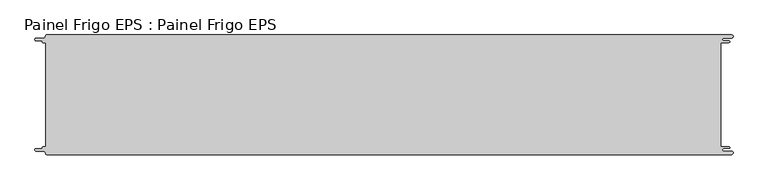
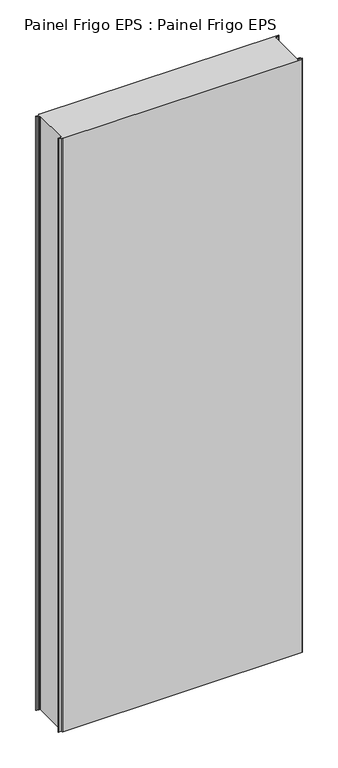
"""IFC4 building model written with IfcOpenShell, lengths in millimetres: proxy geometry, Painel Frigo EPS : Painel Frigo EPS."""

from ifc_helpers import new_model, si_unit, frame, origin, place, context, project, spatial, polyline, circle_curve, source, transform, mapped, element, save
from ifc_brep_helpers import plane_surface, cylinder_surface, revolved_surface, advanced_brep


def painel_frigo_eps_painel_frigo_eps_6e90903d(model_context):
    return source(origin(), model_context, "Body", "AdvancedBrep", [
        advanced_brep(
        [(-579.5093748, 87.3, 3000.0), (-574.2218362, 87.3, 3000.0), (-574.2218362, -87.2999995, 3000.0), (-579.5093748, -87.2999995, 3000.0), (-580.1093753, -87.9, 3000.0), (-580.1093753, -88.7085185, 3000.0), (-581.5093753, -90.1085185, 3000.0), (-590.4875, -90.1085185, 3000.0), (-590.4875, -94.5085185, 3000.0), (-578.471875, -94.5085185, 3000.0), (-574.921875, -98.0585185, 3000.0), (-572.971875, -100.0, 3000.0), (572.284375, -100.0, 3000.0), (572.284375, -94.725, 3000.0), (559.378125, -94.725, 3000.0), (559.378125, -89.875, 3000.0), (568.0406253, -89.875, 3000.0), (568.0406253, -87.3, 3000.0), (554.1906253, -87.3, 3000.0), (554.1906253, 87.3, 3000.0), (568.0406253, 87.3, 3000.0), (568.0406253, 89.875, 3000.0), (559.378125, 89.875, 3000.0), (559.378125, 94.725, 3000.0), (572.284375, 94.725, 3000.0), (572.284375, 100.0, 3000.0), (-572.971875, 100.0, 3000.0), (-574.921875, 98.05, 3000.0), (-578.471875, 94.5085185, 3000.0), (-590.4875, 94.5085185, 3000.0), (-590.4875, 90.1085187, 3000.0), (-581.5093751, 90.1085187, 3000.0), (-580.1093748, 88.7085184, 3000.0), (-580.1093748, 87.9, 3000.0), (-579.5093748, 87.3, 0.0), (-580.1093748, 87.9, 0.0), (-580.1093748, 88.7085184, 0.0), (-581.5093751, 90.1085187, 0.0), (-590.4875, 90.1085187, 0.0), (-590.4875, 94.5085185, 0.0), (-578.471875, 94.5085185, 0.0), (-574.921875, 98.0585185, 0.0), (-572.971875, 100.0, 0.0), (572.284375, 100.0, 0.0), (572.284375, 94.725, 0.0), (559.378125, 94.725, 0.0), (559.378125, 89.875, 0.0), (568.0406253, 89.875, 0.0), (568.0406253, 87.3, 0.0), (554.1906253, 87.3, 0.0), (554.1906253, -87.3, 0.0), (568.0406253, -87.3, 0.0), (568.0406253, -89.875, 0.0), (559.378125, -89.875, 0.0), (559.378125, -94.725, 0.0), (572.284375, -94.725, 0.0), (572.284375, -100.0, 0.0), (-572.971875, -100.0, 0.0), (-574.921875, -98.05, 0.0), (-578.471875, -94.5085185, 0.0), (-590.4875, -94.5085185, 0.0), (-590.4875, -90.1085185, 0.0), (-581.5093753, -90.1085185, 0.0), (-580.1093753, -88.7085185, 0.0), (-580.1093753, -87.9, 0.0), (-579.5093748, -87.2999995, 0.0), (-574.2218362, -87.2999995, 0.0), (-574.2218362, 87.3, 0.0)],
        [
            (0, 1),
            (1, 2),
            (2, 3),
            (3, 4, circle_curve(frame((-579.5093748, -87.9, 3000.0), z_axis=(0.0, 0.0, 1.0), x_axis=(1.0, 0.0, 0.0)), 0.6000005)),
            (4, 5),
            (5, 6, circle_curve(frame((-581.5093753, -88.7085185, 3000.0), z_axis=(0.0, 0.0, -1.0), x_axis=(1.0, 0.0, 0.0)), 1.4)),
            (6, 7),
            (7, 8, circle_curve(frame((-590.4875, -92.3085185, 3000.0), z_axis=(0.0, 0.0, 1.0), x_axis=(1.0, 0.0, 0.0)), 2.2)),
            (8, 9),
            (9, 10, circle_curve(frame((-578.471875, -98.0585185, 3000.0), z_axis=(0.0, 0.0, -1.0), x_axis=(1.0, 0.0, 0.0)), 3.55)),
            (10, 11, circle_curve(frame((-572.971875, -98.05, 3000.0), z_axis=(0.0, 0.0, 1.0), x_axis=(1.0, 0.0, 0.0)), 1.95)),
            (11, 12),
            (12, 13, circle_curve(frame((572.284375, -97.3625, 3000.0), z_axis=(0.0, 0.0, 1.0), x_axis=(1.0, 0.0, 0.0)), 2.6375)),
            (13, 14),
            (14, 15, circle_curve(frame((559.378125, -92.3, 3000.0), z_axis=(0.0, 0.0, -1.0), x_axis=(1.0, 0.0, 0.0)), 2.425)),
            (15, 16),
            (16, 17, circle_curve(frame((568.0406253, -88.5875, 3000.0), z_axis=(0.0, 0.0, 1.0), x_axis=(1.0, 0.0, 0.0)), 1.2875)),
            (17, 18),
            (18, 19),
            (19, 20),
            (20, 21, circle_curve(frame((568.0406253, 88.5875, 3000.0), z_axis=(0.0, 0.0, 1.0), x_axis=(1.0, 0.0, 0.0)), 1.2875)),
            (21, 22),
            (22, 23, circle_curve(frame((559.378125, 92.3, 3000.0), z_axis=(0.0, 0.0, -1.0), x_axis=(1.0, 0.0, 0.0)), 2.425)),
            (23, 24),
            (24, 25, circle_curve(frame((572.284375, 97.3625, 3000.0), z_axis=(0.0, 0.0, 1.0), x_axis=(1.0, 0.0, 0.0)), 2.6375)),
            (25, 26),
            (26, 27, circle_curve(frame((-572.971875, 98.05, 3000.0), z_axis=(0.0, 0.0, 1.0), x_axis=(1.0, 0.0, 0.0)), 1.95)),
            (27, 28, circle_curve(frame((-578.471875, 98.0585185, 3000.0), z_axis=(0.0, 0.0, -1.0), x_axis=(1.0, 0.0, 0.0)), 3.55)),
            (28, 29),
            (29, 30, circle_curve(frame((-590.4875, 92.3085186, 3000.0), z_axis=(0.0, 0.0, 1.0), x_axis=(1.0, 0.0, 0.0)), 2.1999999)),
            (30, 31),
            (31, 32, circle_curve(frame((-581.5093751, 88.7085184, 3000.0), z_axis=(0.0, 0.0, -1.0), x_axis=(1.0, 0.0, 0.0)), 1.4000003)),
            (32, 33),
            (33, 0, circle_curve(frame((-579.5093748, 87.9, 3000.0), z_axis=(0.0, 0.0, 1.0), x_axis=(1.0, 0.0, 0.0)), 0.6)),
            (34, 35, circle_curve(frame((-579.5093748, 87.9, 0.0), z_axis=(0.0, 0.0, -1.0), x_axis=(1.0, 0.0, 0.0)), 0.6)),
            (35, 36),
            (36, 37, circle_curve(frame((-581.5093751, 88.7085184, 0.0), z_axis=(0.0, 0.0, 1.0), x_axis=(1.0, 0.0, 0.0)), 1.4000003)),
            (37, 38),
            (38, 39, circle_curve(frame((-590.4875, 92.3085186, 0.0), z_axis=(0.0, 0.0, -1.0), x_axis=(1.0, 0.0, 0.0)), 2.1999999)),
            (39, 40),
            (40, 41, circle_curve(frame((-578.471875, 98.0585185, 0.0), z_axis=(0.0, 0.0, 1.0), x_axis=(1.0, 0.0, 0.0)), 3.55)),
            (41, 42, circle_curve(frame((-572.971875, 98.05, 0.0), z_axis=(0.0, 0.0, -1.0), x_axis=(1.0, 0.0, 0.0)), 1.95)),
            (42, 43),
            (43, 44, circle_curve(frame((572.284375, 97.3625, 0.0), z_axis=(0.0, 0.0, -1.0), x_axis=(1.0, 0.0, 0.0)), 2.6375)),
            (44, 45),
            (45, 46, circle_curve(frame((559.378125, 92.3, 0.0), z_axis=(0.0, 0.0, 1.0), x_axis=(1.0, 0.0, 0.0)), 2.425)),
            (46, 47),
            (47, 48, circle_curve(frame((568.0406253, 88.5875, 0.0), z_axis=(0.0, 0.0, -1.0), x_axis=(1.0, 0.0, 0.0)), 1.2875)),
            (48, 49),
            (49, 50),
            (50, 51),
            (51, 52, circle_curve(frame((568.0406253, -88.5875, 0.0), z_axis=(0.0, 0.0, -1.0), x_axis=(1.0, 0.0, 0.0)), 1.2875)),
            (52, 53),
            (53, 54, circle_curve(frame((559.378125, -92.3, 0.0), z_axis=(0.0, 0.0, 1.0), x_axis=(1.0, 0.0, 0.0)), 2.425)),
            (54, 55),
            (55, 56, circle_curve(frame((572.284375, -97.3625, 0.0), z_axis=(0.0, 0.0, -1.0), x_axis=(1.0, 0.0, 0.0)), 2.6375)),
            (56, 57),
            (57, 58, circle_curve(frame((-572.971875, -98.05, 0.0), z_axis=(0.0, 0.0, -1.0), x_axis=(1.0, 0.0, 0.0)), 1.95)),
            (58, 59, circle_curve(frame((-578.471875, -98.0585185, 0.0), z_axis=(0.0, 0.0, 1.0), x_axis=(1.0, 0.0, 0.0)), 3.55)),
            (59, 60),
            (60, 61, circle_curve(frame((-590.4875, -92.3085185, 0.0), z_axis=(0.0, 0.0, -1.0), x_axis=(1.0, 0.0, 0.0)), 2.2)),
            (61, 62),
            (62, 63, circle_curve(frame((-581.5093753, -88.7085185, 0.0), z_axis=(0.0, 0.0, 1.0), x_axis=(1.0, 0.0, 0.0)), 1.4)),
            (63, 64),
            (64, 65, circle_curve(frame((-579.5093748, -87.9, 0.0), z_axis=(0.0, 0.0, -1.0), x_axis=(1.0, 0.0, 0.0)), 0.6000005)),
            (65, 66),
            (66, 67),
            (67, 34),
            (11, 57),
            (56, 12),
            (25, 43),
            (42, 26),
            (0, 34),
            (67, 1),
            (66, 2),
            (65, 3),
            (64, 4),
            (63, 5),
            (62, 6),
            (61, 7),
            (60, 8),
            (59, 9),
            (58, 10),
            (18, 50),
            (49, 19),
            (48, 20),
            (47, 21),
            (46, 22),
            (45, 23),
            (44, 24),
            (41, 27),
            (40, 28),
            (39, 29),
            (38, 30),
            (37, 31),
            (36, 32),
            (35, 33),
            (55, 13),
            (54, 14),
            (53, 15),
            (52, 16),
            (51, 17),
        ],
        [
            plane_surface(frame((-574.2218362, 87.3, 3000.0), z_axis=(0.0, 0.0, 1.0), x_axis=(1.0, 0.0, 0.0))),
            plane_surface(frame((-574.2218362, 87.3, 0.0), z_axis=(0.0, 0.0, -1.0), x_axis=(-1.0, 0.0, 0.0))),
            plane_surface(frame((-572.971875, -100.0, 3000.0), z_axis=(0.0, -1.0, 0.0), x_axis=(0.0, 0.0, -1.0))),
            plane_surface(frame((572.284375, 100.0, 3000.0), z_axis=(0.0, 1.0, 0.0), x_axis=(0.0, 0.0, -1.0))),
            plane_surface(frame((-579.5093748, 87.3, 3000.0), z_axis=(0.0, -1.0, 0.0), x_axis=(0.0, 0.0, -1.0))),
            plane_surface(frame((-574.2218362, 87.3, 3000.0), z_axis=(-1.0, 0.0, 0.0), x_axis=(0.0, 0.0, -1.0))),
            plane_surface(frame((-574.2218362, -87.2999995, 3000.0), z_axis=(0.0, 1.0, 0.0), x_axis=(0.0, 0.0, -1.0))),
            cylinder_surface(frame((-579.5093748, -87.9, 0.0), z_axis=(0.0, 0.0, 1.0), x_axis=(1.0, 0.0, 0.0)), 0.6000005),
            plane_surface(frame((-580.1093753, -87.9, 3000.0), z_axis=(-1.0, 1.757860866232952e-12, 0.0), x_axis=(0.0, 0.0, -1.0))),
            revolved_surface(polyline([(-580.1093753, -88.7085185, 0.0), (-580.1093753, -88.7085185, 3000.0)]), (-581.5093753, -88.7085185, 0.0), (0.0, 0.0, -1.0)),
            plane_surface(frame((-581.5093753, -90.1085185, 3000.0), z_axis=(0.0, 1.0, 0.0), x_axis=(0.0, 0.0, -1.0))),
            cylinder_surface(frame((-590.4875, -92.3085185, 0.0), z_axis=(0.0, 0.0, 1.0), x_axis=(1.0, 0.0, 0.0)), 2.2),
            plane_surface(frame((-590.4875, -94.5085185, 3000.0), z_axis=(0.0, -1.0, 0.0), x_axis=(0.0, 0.0, -1.0))),
            revolved_surface(polyline([(-574.921875, -98.0585185, 0.0), (-574.921875, -98.0585185, 3000.0)]), (-578.471875, -98.0585185, 0.0), (0.0, 0.0, -1.0)),
            cylinder_surface(frame((-572.971875, -98.05, 0.0), z_axis=(0.0, 0.0, 1.0), x_axis=(1.0, 0.0, 0.0)), 1.95),
            plane_surface(frame((554.1906253, -87.3, 3000.0), z_axis=(1.0, 0.0, 0.0), x_axis=(0.0, 0.0, -1.0))),
            plane_surface(frame((554.1906253, 87.3, 3000.0), z_axis=(0.0, -1.0, 0.0), x_axis=(0.0, 0.0, -1.0))),
            cylinder_surface(frame((568.0406253, 88.5875, 0.0), z_axis=(0.0, 0.0, 1.0), x_axis=(1.0, 0.0, 0.0)), 1.2875),
            plane_surface(frame((568.0406253, 89.875, 3000.0), z_axis=(0.0, 1.0, 0.0), x_axis=(0.0, 0.0, -1.0))),
            revolved_surface(polyline([(561.8031249999999, 92.3, 0.0), (561.8031249999999, 92.3, 3000.0)]), (559.378125, 92.3, 0.0), (0.0, 0.0, -1.0)),
            plane_surface(frame((559.378125, 94.725, 3000.0), z_axis=(0.0, -1.0, 0.0), x_axis=(0.0, 0.0, -1.0))),
            cylinder_surface(frame((572.284375, 97.3625, 0.0), z_axis=(0.0, 0.0, 1.0), x_axis=(1.0, 0.0, 0.0)), 2.6375),
            cylinder_surface(frame((-572.971875, 98.05, 0.0), z_axis=(0.0, 0.0, 1.0), x_axis=(1.0, 0.0, 0.0)), 1.95),
            revolved_surface(polyline([(-574.921875, 98.0585185, 0.0), (-574.921875, 98.0585185, 3000.0)]), (-578.471875, 98.0585185, 0.0), (0.0, 0.0, -1.0)),
            plane_surface(frame((-578.471875, 94.5085185, 3000.0), z_axis=(0.0, 1.0, 0.0), x_axis=(0.0, 0.0, -1.0))),
            cylinder_surface(frame((-590.4875, 92.3085186, 0.0), z_axis=(0.0, 0.0, 1.0), x_axis=(1.0, 0.0, 0.0)), 2.1999999),
            plane_surface(frame((-590.4875, 90.1085187, 3000.0), z_axis=(0.0, -1.0, 0.0), x_axis=(0.0, 0.0, -1.0))),
            revolved_surface(polyline([(-580.1093748000001, 88.7085184, 0.0), (-580.1093748000001, 88.7085184, 3000.0)]), (-581.5093751, 88.7085184, 0.0), (0.0, 0.0, -1.0)),
            plane_surface(frame((-580.1093748, 88.7085184, 3000.0), z_axis=(-1.0, 0.0, 0.0), x_axis=(0.0, 0.0, -1.0))),
            cylinder_surface(frame((-579.5093748, 87.9, 0.0), z_axis=(0.0, 0.0, 1.0), x_axis=(1.0, 0.0, 0.0)), 0.6),
            cylinder_surface(frame((572.284375, -97.3625, 0.0), z_axis=(0.0, 0.0, 1.0), x_axis=(1.0, 0.0, 0.0)), 2.6375),
            plane_surface(frame((572.284375, -94.725, 3000.0), z_axis=(0.0, 1.0, 0.0), x_axis=(0.0, 0.0, -1.0))),
            revolved_surface(polyline([(561.8031249999999, -92.3, 0.0), (561.8031249999999, -92.3, 3000.0)]), (559.378125, -92.3, 0.0), (0.0, 0.0, -1.0)),
            plane_surface(frame((559.378125, -89.875, 3000.0), z_axis=(0.0, -1.0, 0.0), x_axis=(0.0, 0.0, -1.0))),
            cylinder_surface(frame((568.0406253, -88.5875, 0.0), z_axis=(0.0, 0.0, 1.0), x_axis=(1.0, 0.0, 0.0)), 1.2875),
            plane_surface(frame((568.0406253, -87.3, 3000.0), z_axis=(0.0, 1.0, 0.0), x_axis=(0.0, 0.0, -1.0))),
        ],
        [
            (0, [[1, 2, 3, 4, 5, 6, 7, 8, 9, 10, 11, 12, 13, 14, 15, 16, 17, 18, 19, 20, 21, 22, 23, 24, 25, 26, 27, 28, 29, 30, 31, 32, 33, 34]]),
            (1, [[35, 36, 37, 38, 39, 40, 41, 42, 43, 44, 45, 46, 47, 48, 49, 50, 51, 52, 53, 54, 55, 56, 57, 58, 59, 60, 61, 62, 63, 64, 65, 66, 67, 68]]),
            (2, [[-12, 69, -57, 70]]),
            (3, [[-26, 71, -43, 72]]),
            (4, [[-1, 73, -68, 74]]),
            (5, [[-2, -74, -67, 75]]),
            (6, [[-3, -75, -66, 76]]),
            (7, [[-4, -76, -65, 77]]),
            (8, [[-5, -77, -64, 78]]),
            (9, [[-6, -78, -63, 79]]),
            (10, [[-7, -79, -62, 80]]),
            (11, [[-8, -80, -61, 81]]),
            (12, [[-9, -81, -60, 82]]),
            (13, [[-10, -82, -59, 83]]),
            (14, [[-11, -83, -58, -69]]),
            (15, [[-19, 84, -50, 85]]),
            (16, [[-20, -85, -49, 86]]),
            (17, [[-21, -86, -48, 87]]),
            (18, [[-22, -87, -47, 88]]),
            (19, [[-23, -88, -46, 89]]),
            (20, [[-24, -89, -45, 90]]),
            (21, [[-25, -90, -44, -71]]),
            (22, [[-27, -72, -42, 91]]),
            (23, [[-28, -91, -41, 92]]),
            (24, [[-29, -92, -40, 93]]),
            (25, [[-30, -93, -39, 94]]),
            (26, [[-31, -94, -38, 95]]),
            (27, [[-32, -95, -37, 96]]),
            (28, [[-33, -96, -36, 97]]),
            (29, [[-34, -97, -35, -73]]),
            (30, [[-13, -70, -56, 98]]),
            (31, [[-14, -98, -55, 99]]),
            (32, [[-15, -99, -54, 100]]),
            (33, [[-16, -100, -53, 101]]),
            (34, [[-17, -101, -52, 102]]),
            (35, [[-18, -102, -51, -84]]),
        ],
    ),
    ])


if __name__ == "__main__":
    model = new_model("IFC4")
    model_context = context("Model", 3, world=origin())
    ifc_project = project(units=[si_unit("LENGTHUNIT", "METRE", prefix="MILLI")], contexts=[model_context])
    site = spatial("IfcSite", under=ifc_project)
    building = spatial("IfcBuilding", under=site)
    placement = place(None, origin())
    painel_frigo_eps_painel_frigo_eps_shape = painel_frigo_eps_painel_frigo_eps_6e90903d(model_context)
    element("IfcBuildingElementProxy", 1, Name="Painel Frigo EPS : Painel Frigo EPS", ObjectType="Painel Frigo EPS : Painel Frigo EPS", at=placement, inside=building, context=model_context, shape_type="MappedRepresentation", body=[
        mapped(painel_frigo_eps_painel_frigo_eps_shape, transform((0.0, 0.0, 0.0), x_axis=(1.0, 0.0, 0.0), y_axis=(0.0, 1.0, 0.0), z_axis=(0.0, 0.0, 1.0))),
    ])
    save(model, "model.ifc")
